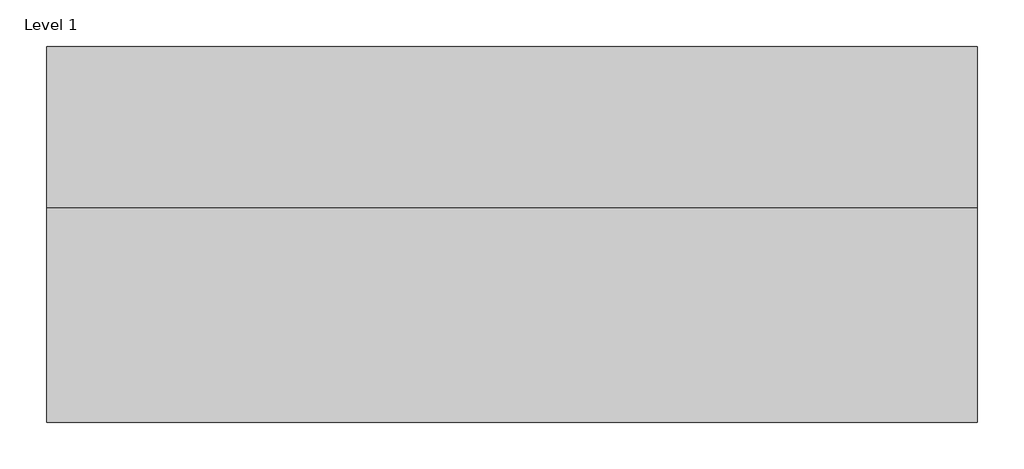
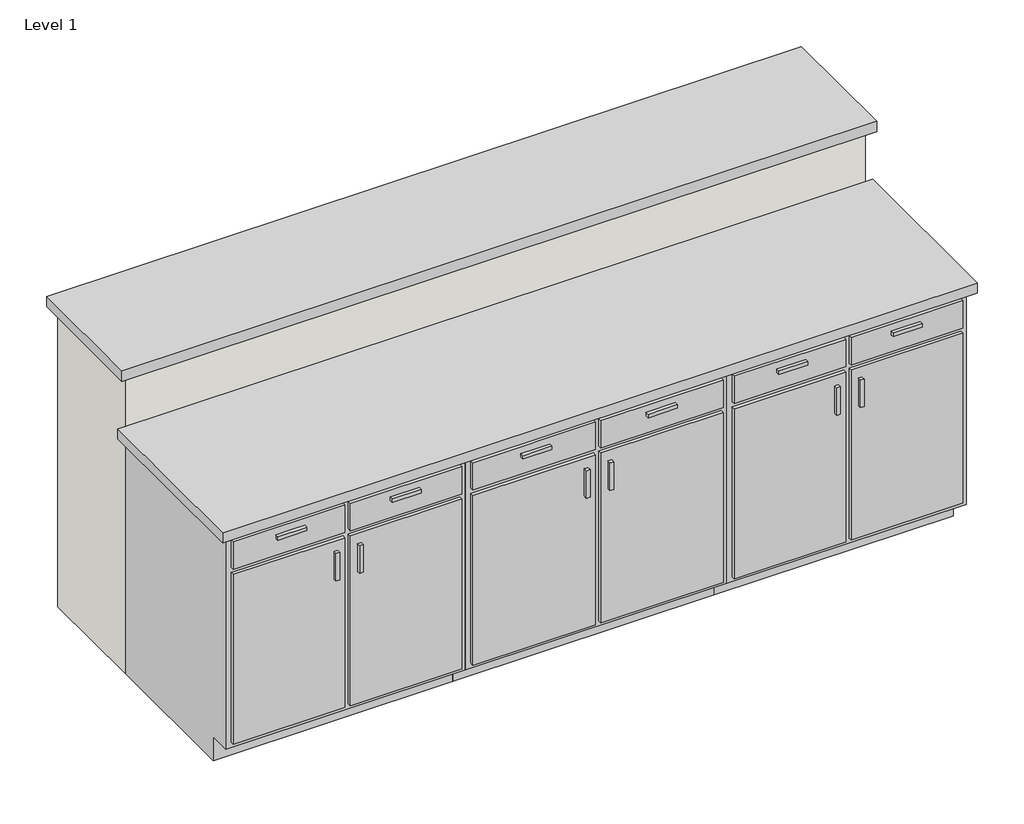
# One storey: 5 furniture elements, 3 walls.
"""IFC4 building model written with IfcOpenShell, lengths in millimetres."""

import ifcopenshell
import ifcopenshell.guid

model = None  # the IFC model being written
_history = None  # IfcOwnerHistory: only IFC2X3 demands one
_inside = {}  # id of a spatial element -> (the spatial element, [elements in it])
_under = {}  # id of a project, library or spatial element -> (it, [spatial elements below it])
_declared = {}  # id of a project -> (the project, [libraries it declares])
_typed = {}  # id of a type object -> (the type object, [elements of that type])
_made_of = {}  # id of a material, layer set ... -> (it, [elements and type objects made of it])


def new_model(schema):
    """Start an empty IFC model of exactly this schema.

    Asked for "IFC4X3", IfcOpenShell would pick the latest addendum, in which some entities
    have other attributes; the version numbers below select the first issue.
    IFC2X3 requires an IfcOwnerHistory on every rooted entity: one is made here for all.
    """
    global model, _history
    if schema == "IFC4X3":
        model = ifcopenshell.file(schema_version=(4, 3, 0, 0))
    else:
        model = ifcopenshell.file(schema=schema)
    _inside.clear()
    _under.clear()
    _declared.clear()
    _typed.clear()
    _made_of.clear()
    _history = None
    if model.schema == "IFC2X3":
        org = make("IfcOrganization", Name="unknown")
        user = make(
            "IfcPersonAndOrganization",
            ThePerson=make("IfcPerson", FamilyName="unknown"),
            TheOrganization=org,
        )
        app = make(
            "IfcApplication",
            ApplicationDeveloper=org,
            Version="unknown",
            ApplicationFullName="unknown",
            ApplicationIdentifier="unknown",
        )
        _history = make(
            "IfcOwnerHistory",
            OwningUser=user,
            OwningApplication=app,
            ChangeAction="ADDED",
            CreationDate=0,
        )
    return model


def make(cls, **values):
    """One entity of the class cls with the attributes given. An attribute that is None is left unset."""
    return model.create_entity(
        cls, **{name: value for name, value in values.items() if value is not None}
    )


def rooted(cls, **values):
    """An entity with a GlobalId (a new one), such as an element, a storey or a relation."""
    return make(cls, GlobalId=ifcopenshell.guid.new(), OwnerHistory=_history, **values)


def si_unit(unit_type, name, prefix=None):
    """IfcSIUnit, for example si_unit("LENGTHUNIT", "METRE", prefix="MILLI")."""
    return make("IfcSIUnit", UnitType=unit_type, Prefix=prefix, Name=name)


def assignment(units):
    """IfcUnitAssignment: the units of a project."""
    return None if units is None else make("IfcUnitAssignment", Units=units)


def point(xyz):
    """IfcCartesianPoint."""
    return None if xyz is None else make("IfcCartesianPoint", Coordinates=xyz)


def direction(xyz):
    """IfcDirection."""
    return None if xyz is None else make("IfcDirection", DirectionRatios=xyz)


def frame(location, z_axis=None, x_axis=None):
    """IfcAxis2Placement3D, a coordinate frame: its origin and axes. An axis left out is left unset."""
    return make(
        "IfcAxis2Placement3D",
        Location=point(location),
        Axis=direction(z_axis),
        RefDirection=direction(x_axis),
    )


def origin():
    """The frame at (0, 0, 0) with its axes left unset."""
    return frame((0.0, 0.0, 0.0))


def origin_with_axes():
    """The frame at (0, 0, 0) with the z axis (0, 0, 1) and the x axis (1, 0, 0) written out."""
    return frame((0.0, 0.0, 0.0), z_axis=(0.0, 0.0, 1.0), x_axis=(1.0, 0.0, 0.0))


def place(relative_to, where):
    """IfcLocalPlacement: puts the frame where relative to a parent placement (None: the world)."""
    return make(
        "IfcLocalPlacement", PlacementRelTo=relative_to, RelativePlacement=where
    )


def context(
    kind, dimensions, precision=None, world=None, true_north=None, identifier=None
):
    """IfcGeometricRepresentationContext, for example the 3D "Model" context."""
    return make(
        "IfcGeometricRepresentationContext",
        ContextIdentifier=identifier,
        ContextType=kind,
        CoordinateSpaceDimension=dimensions,
        Precision=precision,
        WorldCoordinateSystem=world,
        TrueNorth=true_north,
    )


def project(units=None, contexts=None):
    """IfcProject with its units and contexts."""
    return rooted(
        "IfcProject",
        Name="project",
        RepresentationContexts=contexts,
        UnitsInContext=assignment(units),
    )


def spatial(cls, under=None, at=None, **own):
    """A site, building, storey or space (cls), placed at a placement, below another one or the project."""
    s = rooted(cls, ObjectPlacement=at, **own)
    if under is not None:
        _under.setdefault(under.id(), (under, []))[1].append(s)
    return s


def polyline(points):
    """IfcPolyline through the points."""
    return make("IfcPolyline", Points=[point(p) for p in points])


def outline(outer, holes=None, kind="AREA"):
    """IfcArbitraryClosedProfileDef: a profile drawn as a closed curve; with holes, ...WithVoids."""
    if holes is None:
        return make("IfcArbitraryClosedProfileDef", ProfileType=kind, OuterCurve=outer)
    return make(
        "IfcArbitraryProfileDefWithVoids",
        ProfileType=kind,
        OuterCurve=outer,
        InnerCurves=holes,
    )


def extrude(swept, where, along, depth):
    """IfcExtrudedAreaSolid: the profile swept, set in the frame where, extruded along a direction by depth."""
    return make(
        "IfcExtrudedAreaSolid",
        SweptArea=swept,
        Position=where,
        ExtrudedDirection=direction(along),
        Depth=depth,
    )


def faces_of(points, faces, orient=None, outer=None):
    """IfcFace entities. A face is a list of loops; a loop is a list of indices into points, from 0.

    orient and outer hold one flag for each loop. By default every Orientation is true, the
    first loop of a face is its IfcFaceOuterBound and the others are IfcFaceBound.
    """
    made = []
    for i, loops in enumerate(faces):
        bounds = []
        for j, loop in enumerate(loops):
            is_outer = j == 0 if outer is None else outer[i][j]
            bounds.append(
                make(
                    "IfcFaceOuterBound" if is_outer else "IfcFaceBound",
                    Bound=make("IfcPolyLoop", Polygon=[points[k] for k in loop]),
                    Orientation=True if orient is None else orient[i][j],
                )
            )
        made.append(make("IfcFace", Bounds=bounds))
    return made


def faceted_brep(points, faces, orient=None, outer=None, voids=None):
    """IfcFacetedBrep: a solid bounded by flat faces; with voids (closed shells), ...WithVoids."""
    shared = [point(p) for p in points]
    hull = make("IfcClosedShell", CfsFaces=faces_of(shared, faces, orient, outer))
    if voids is None:
        return make("IfcFacetedBrep", Outer=hull)
    return make(
        "IfcFacetedBrepWithVoids",
        Outer=hull,
        Voids=[
            make(cls, CfsFaces=faces_of(shared, fs, o, b)) for cls, fs, o, b in voids
        ],
    )


def shape(context_of_items, identifier, shape_type, items):
    """IfcShapeRepresentation: the items that make up one representation, for example the "Body"."""
    return make(
        "IfcShapeRepresentation",
        ContextOfItems=context_of_items,
        RepresentationIdentifier=identifier,
        RepresentationType=shape_type,
        Items=items,
    )


def source(mapping_origin, context_of_items, identifier, shape_type, items):
    """IfcRepresentationMap: a shape defined once, which mapped items show again and again."""
    return make(
        "IfcRepresentationMap",
        MappingOrigin=mapping_origin,
        MappedRepresentation=shape(context_of_items, identifier, shape_type, items),
    )


def transform(
    local_origin,
    x_axis=None,
    y_axis=None,
    z_axis=None,
    scale=None,
    scale2=None,
    scale3=None,
    uniform=True,
):
    """IfcCartesianTransformationOperator3D, or its non-uniform kind. x_axis, y_axis, z_axis: its Axis1, 2, 3."""
    if uniform:
        return make(
            "IfcCartesianTransformationOperator3D",
            Axis1=direction(x_axis),
            Axis2=direction(y_axis),
            LocalOrigin=point(local_origin),
            Scale=scale,
            Axis3=direction(z_axis),
        )
    return make(
        "IfcCartesianTransformationOperator3DnonUniform",
        Axis1=direction(x_axis),
        Axis2=direction(y_axis),
        LocalOrigin=point(local_origin),
        Scale=scale,
        Axis3=direction(z_axis),
        Scale2=scale2,
        Scale3=scale3,
    )


def mapped(mapping_source, mapping_target):
    """IfcMappedItem: shows the shape of a source again, moved by a transform."""
    return make(
        "IfcMappedItem", MappingSource=mapping_source, MappingTarget=mapping_target
    )


def made_of(thing, what):
    """Note that an element or type object is made of a material, layer set ...; save() writes the relation."""
    if what is not None:
        _made_of.setdefault(what.id(), (what, []))[1].append(thing)
    return thing


def element(
    cls,
    number,
    at=None,
    inside=None,
    cuts=None,
    type_object=None,
    material=None,
    context=None,
    identifier="Body",
    shape_type=None,
    held_by="IfcProductDefinitionShape",
    body=None,
    shapes=None,
    **own,
):
    """One element of the class cls, such as IfcWall. Its Tag is "e" and its number.

    at: its placement. inside: the storey or other place that contains it. cuts: it is an
    opening in that element (IfcRelVoidsElement). A single representation is given by context,
    identifier, shape_type and body (its items); several are given by shapes. held_by: the class
    of the entity that holds the representations. save() writes the other relations.
    """
    e = rooted(cls, Tag="e%d" % number, ObjectPlacement=at, **own)
    if body is not None:
        shapes = [shape(context, identifier, shape_type, body)]
    if shapes is not None:
        e.Representation = make(held_by, Representations=shapes)
    if inside is not None:
        _inside.setdefault(inside.id(), (inside, []))[1].append(e)
    if cuts is not None:
        rooted(
            "IfcRelVoidsElement", RelatingBuildingElement=cuts, RelatedOpeningElement=e
        )
    if type_object is not None:
        _typed.setdefault(type_object.id(), (type_object, []))[1].append(e)
    return made_of(e, material)


def aggregate(whole, parts):
    """IfcRelAggregates: a whole, such as a stair, and the parts it consists of."""
    return rooted("IfcRelAggregates", RelatingObject=whole, RelatedObjects=parts)


def save(model, path):
    """Write the relations noted so far, then the file.

    IfcRelAggregates (storeys below a building ...), IfcRelContainedInSpatialStructure (elements
    in a storey), IfcRelDefinesByType, IfcRelAssociatesMaterial and IfcRelDeclares: one each for
    every whole, place, type object, material and project.
    """
    for whole, parts in _under.values():
        aggregate(whole, parts)
    for where, things in _inside.values():
        rooted(
            "IfcRelContainedInSpatialStructure",
            RelatedElements=things,
            RelatingStructure=where,
        )
    for kind, things in _typed.values():
        rooted("IfcRelDefinesByType", RelatedObjects=things, RelatingType=kind)
    for what, things in _made_of.values():
        rooted("IfcRelAssociatesMaterial", RelatedObjects=things, RelatingMaterial=what)
    for by, libraries in _declared.values():
        rooted("IfcRelDeclares", RelatingContext=by, RelatedDefinitions=libraries)
    model.write(path)


def furniture_7de88fd5(model_context):
    return source(origin(), model_context, "Body", "SolidModel", [
        faceted_brep([(418.7877049, -590.55, 876.3), (418.7877049, -590.55, 88.9), (-381.3122951, -590.55, 88.9), (-381.3122951, -590.55, 876.3), (-400.3622951, -609.6, 876.3), (437.8377049, -609.6, 876.3), (-400.3622951, -609.6, 88.9), (437.8377049, -609.6, 88.9), (-381.3122951, -533.4, 88.9), (-381.3122951, -19.05, 88.9), (-381.3122951, -19.05, 876.3), (-400.3622951, 0.0, 876.3), (-400.3622951, 0.0, 0.0), (-400.3622951, -533.4, 0.0), (-400.3622951, -533.4, 88.9), (418.7877049, -19.05, 88.9), (418.7877049, -19.05, 876.3), (437.8377049, 0.0, 876.3), (437.8377049, 0.0, 0.0), (418.7877049, -533.4, 88.9), (437.8377049, -533.4, 88.9), (437.8377049, -533.4, 0.0)], [[[0, 1, 2, 3]], [[0, 3, 4, 5]], [[5, 4, 6, 7]], [[2, 1, 7, 6]], [[3, 2, 8, 9, 10]], [[4, 3, 10, 11]], [[6, 4, 11, 12, 13, 14]], [[2, 6, 14, 8]], [[10, 9, 15, 16]], [[11, 10, 16, 17]], [[12, 11, 17, 18]], [[1, 0, 16, 15, 19]], [[0, 5, 17, 16]], [[5, 7, 20, 21, 18, 17]], [[7, 1, 19, 20]], [[8, 19, 15, 9]], [[18, 21, 13, 12]], [[13, 21, 20, 19, 8, 14]]]),
        extrude(outline(polyline([(-130.4872951, -635.0), (-232.0872951, -635.0), (-232.0872951, -622.3), (-130.4872951, -622.3), (-130.4872951, -635.0)])), frame((0.0, 0.0, 819.15), z_axis=(0.0, 0.0, 1.0), x_axis=(1.0, 0.0, 0.0)), (0.0, 0.0, 1.0), 12.7),
        extrude(outline(polyline([(269.5627049, -635.0), (167.9627049, -635.0), (167.9627049, -622.3), (269.5627049, -622.3), (269.5627049, -635.0)])), frame((0.0, 0.0, 819.15), z_axis=(0.0, 0.0, 1.0), x_axis=(1.0, 0.0, 0.0)), (0.0, 0.0, 1.0), 12.7),
        extrude(outline(polyline([(-16.1872951, -635.0), (-28.8872951, -635.0), (-28.8872951, -622.3), (-16.1872951, -622.3), (-16.1872951, -635.0)])), frame((0.0, 0.0, 596.9), z_axis=(0.0, 0.0, 1.0), x_axis=(1.0, 0.0, 0.0)), (0.0, 0.0, 1.0), 101.6),
        extrude(outline(polyline([(66.3627049, -635.0), (53.6627049, -635.0), (53.6627049, -622.3), (66.3627049, -622.3), (66.3627049, -635.0)])), frame((0.0, 0.0, 596.9), z_axis=(0.0, 0.0, 1.0), x_axis=(1.0, 0.0, 0.0)), (0.0, 0.0, 1.0), 101.6),
        extrude(outline(polyline([(418.7877049, -19.05), (418.7877049, -590.55), (-381.3122951, -590.55), (-381.3122951, -19.05), (418.7877049, -19.05)])), frame((0.0, 0.0, 88.9), z_axis=(0.0, 0.0, 1.0), x_axis=(1.0, 0.0, 0.0)), (0.0, 0.0, 1.0), 19.05),
        extrude(outline(polyline([(9.2127049, -622.3), (-381.3122951, -622.3), (-381.3122951, -609.6), (9.2127049, -609.6), (9.2127049, -622.3)])), frame((0.0, 0.0, 755.65), z_axis=(0.0, 0.0, 1.0), x_axis=(1.0, 0.0, 0.0)), (0.0, 0.0, 1.0), 101.6),
        extrude(outline(polyline([(418.7877049, -622.3), (28.2627049, -622.3), (28.2627049, -609.6), (418.7877049, -609.6), (418.7877049, -622.3)])), frame((0.0, 0.0, 755.65), z_axis=(0.0, 0.0, 1.0), x_axis=(1.0, 0.0, 0.0)), (0.0, 0.0, 1.0), 101.6),
        extrude(outline(polyline([(9.2127049, -622.3), (-381.3122951, -622.3), (-381.3122951, -609.6), (9.2127049, -609.6), (9.2127049, -622.3)])), frame((0.0, 0.0, 107.95), z_axis=(0.0, 0.0, 1.0), x_axis=(1.0, 0.0, 0.0)), (0.0, 0.0, 1.0), 628.65),
        extrude(outline(polyline([(418.7877049, -622.3), (28.2627049, -622.3), (28.2627049, -609.6), (418.7877049, -609.6), (418.7877049, -622.3)])), frame((0.0, 0.0, 107.95), z_axis=(0.0, 0.0, 1.0), x_axis=(1.0, 0.0, 0.0)), (0.0, 0.0, 1.0), 628.65),
    ])


def furniture_b74d3f52(model_context):
    return source(origin(), model_context, "Body", "SolidModel", [
        faceted_brep([(418.7877049, 590.55, 876.3), (-381.3122951, 590.55, 876.3), (-381.3122951, 590.55, 88.9), (418.7877049, 590.55, 88.9), (437.8377049, 609.6, 876.3), (-400.3622951, 609.6, 876.3), (437.8377049, 609.6, 88.9), (-400.3622951, 609.6, 88.9), (-381.3122951, 19.05, 876.3), (-381.3122951, 19.05, 88.9), (-381.3122951, 533.4, 88.9), (-400.3622951, 0.0, 876.3), (-400.3622951, 533.4, 88.9), (-400.3622951, 533.4, 0.0), (-400.3622951, 0.0, 0.0), (418.7877049, 19.05, 876.3), (418.7877049, 19.05, 88.9), (437.8377049, 0.0, 876.3), (437.8377049, 0.0, 0.0), (418.7877049, 533.4, 88.9), (437.8377049, 533.4, 0.0), (437.8377049, 533.4, 88.9)], [[[0, 1, 2, 3]], [[0, 4, 5, 1]], [[4, 6, 7, 5]], [[2, 7, 6, 3]], [[1, 8, 9, 10, 2]], [[5, 11, 8, 1]], [[7, 12, 13, 14, 11, 5]], [[2, 10, 12, 7]], [[8, 15, 16, 9]], [[11, 17, 15, 8]], [[14, 18, 17, 11]], [[3, 19, 16, 15, 0]], [[0, 15, 17, 4]], [[4, 17, 18, 20, 21, 6]], [[6, 21, 19, 3]], [[10, 9, 16, 19]], [[18, 14, 13, 20]], [[13, 12, 10, 19, 21, 20]]]),
        extrude(outline(polyline([(-130.4872951, 635.0), (-130.4872951, 622.3), (-232.0872951, 622.3), (-232.0872951, 635.0), (-130.4872951, 635.0)])), frame((0.0, 0.0, 819.15), z_axis=(0.0, 0.0, 1.0), x_axis=(1.0, 0.0, 0.0)), (0.0, 0.0, 1.0), 12.7),
        extrude(outline(polyline([(269.5627049, 635.0), (269.5627049, 622.3), (167.9627049, 622.3), (167.9627049, 635.0), (269.5627049, 635.0)])), frame((0.0, 0.0, 819.15), z_axis=(0.0, 0.0, 1.0), x_axis=(1.0, 0.0, 0.0)), (0.0, 0.0, 1.0), 12.7),
        extrude(outline(polyline([(-16.1872951, 635.0), (-16.1872951, 622.3), (-28.8872951, 622.3), (-28.8872951, 635.0), (-16.1872951, 635.0)])), frame((0.0, 0.0, 596.9), z_axis=(0.0, 0.0, 1.0), x_axis=(1.0, 0.0, 0.0)), (0.0, 0.0, 1.0), 101.6),
        extrude(outline(polyline([(66.3627049, 635.0), (66.3627049, 622.3), (53.6627049, 622.3), (53.6627049, 635.0), (66.3627049, 635.0)])), frame((0.0, 0.0, 596.9), z_axis=(0.0, 0.0, 1.0), x_axis=(1.0, 0.0, 0.0)), (0.0, 0.0, 1.0), 101.6),
        extrude(outline(polyline([(418.7877049, 19.05), (-381.3122951, 19.05), (-381.3122951, 590.55), (418.7877049, 590.55), (418.7877049, 19.05)])), frame((0.0, 0.0, 88.9), z_axis=(0.0, 0.0, 1.0), x_axis=(1.0, 0.0, 0.0)), (0.0, 0.0, 1.0), 19.05),
        extrude(outline(polyline([(9.2127049, 622.3), (9.2127049, 609.6), (-381.3122951, 609.6), (-381.3122951, 622.3), (9.2127049, 622.3)])), frame((0.0, 0.0, 755.65), z_axis=(0.0, 0.0, 1.0), x_axis=(1.0, 0.0, 0.0)), (0.0, 0.0, 1.0), 101.6),
        extrude(outline(polyline([(418.7877049, 622.3), (418.7877049, 609.6), (28.2627049, 609.6), (28.2627049, 622.3), (418.7877049, 622.3)])), frame((0.0, 0.0, 755.65), z_axis=(0.0, 0.0, 1.0), x_axis=(1.0, 0.0, 0.0)), (0.0, 0.0, 1.0), 101.6),
        extrude(outline(polyline([(9.2127049, 622.3), (9.2127049, 609.6), (-381.3122951, 609.6), (-381.3122951, 622.3), (9.2127049, 622.3)])), frame((0.0, 0.0, 107.95), z_axis=(0.0, 0.0, 1.0), x_axis=(1.0, 0.0, 0.0)), (0.0, 0.0, 1.0), 628.65),
        extrude(outline(polyline([(418.7877049, 622.3), (418.7877049, 609.6), (28.2627049, 609.6), (28.2627049, 622.3), (418.7877049, 622.3)])), frame((0.0, 0.0, 107.95), z_axis=(0.0, 0.0, 1.0), x_axis=(1.0, 0.0, 0.0)), (0.0, 0.0, 1.0), 628.65),
    ])


def furniture_b6fbc004(model_context):
    return source(origin(), model_context, "Body", "SolidModel", [
        faceted_brep([(456.8877049, -590.55, 876.3), (456.8877049, -590.55, 88.9), (-419.4122951, -590.55, 88.9), (-419.4122951, -590.55, 876.3), (-438.4622951, -609.6, 876.3), (475.9377049, -609.6, 876.3), (-438.4622951, -609.6, 88.9), (475.9377049, -609.6, 88.9), (-419.4122951, -533.4, 88.9), (-419.4122951, -19.05, 88.9), (-419.4122951, -19.05, 876.3), (-438.4622951, 0.0, 876.3), (-438.4622951, 0.0, 0.0), (-438.4622951, -533.4, 0.0), (-438.4622951, -533.4, 88.9), (456.8877049, -19.05, 88.9), (456.8877049, -19.05, 876.3), (475.9377049, 0.0, 876.3), (475.9377049, 0.0, 0.0), (456.8877049, -533.4, 88.9), (475.9377049, -533.4, 88.9), (475.9377049, -533.4, 0.0)], [[[0, 1, 2, 3]], [[0, 3, 4, 5]], [[5, 4, 6, 7]], [[2, 1, 7, 6]], [[3, 2, 8, 9, 10]], [[4, 3, 10, 11]], [[6, 4, 11, 12, 13, 14]], [[2, 6, 14, 8]], [[10, 9, 15, 16]], [[11, 10, 16, 17]], [[12, 11, 17, 18]], [[1, 0, 16, 15, 19]], [[0, 5, 17, 16]], [[5, 7, 20, 21, 18, 17]], [[7, 1, 19, 20]], [[8, 19, 15, 9]], [[18, 21, 13, 12]], [[13, 21, 20, 19, 8, 14]]]),
        extrude(outline(polyline([(-149.5372951, -635.0), (-251.1372951, -635.0), (-251.1372951, -622.3), (-149.5372951, -622.3), (-149.5372951, -635.0)])), frame((0.0, 0.0, 819.15), z_axis=(0.0, 0.0, 1.0), x_axis=(1.0, 0.0, 0.0)), (0.0, 0.0, 1.0), 12.7),
        extrude(outline(polyline([(288.6127049, -635.0), (187.0127049, -635.0), (187.0127049, -622.3), (288.6127049, -622.3), (288.6127049, -635.0)])), frame((0.0, 0.0, 819.15), z_axis=(0.0, 0.0, 1.0), x_axis=(1.0, 0.0, 0.0)), (0.0, 0.0, 1.0), 12.7),
        extrude(outline(polyline([(-16.1872951, -635.0), (-28.8872951, -635.0), (-28.8872951, -622.3), (-16.1872951, -622.3), (-16.1872951, -635.0)])), frame((0.0, 0.0, 596.9), z_axis=(0.0, 0.0, 1.0), x_axis=(1.0, 0.0, 0.0)), (0.0, 0.0, 1.0), 101.6),
        extrude(outline(polyline([(66.3627049, -635.0), (53.6627049, -635.0), (53.6627049, -622.3), (66.3627049, -622.3), (66.3627049, -635.0)])), frame((0.0, 0.0, 596.9), z_axis=(0.0, 0.0, 1.0), x_axis=(1.0, 0.0, 0.0)), (0.0, 0.0, 1.0), 101.6),
        extrude(outline(polyline([(456.8877049, -19.05), (456.8877049, -590.55), (-419.4122951, -590.55), (-419.4122951, -19.05), (456.8877049, -19.05)])), frame((0.0, 0.0, 88.9), z_axis=(0.0, 0.0, 1.0), x_axis=(1.0, 0.0, 0.0)), (0.0, 0.0, 1.0), 19.05),
        extrude(outline(polyline([(9.2127049, -622.3), (-419.4122951, -622.3), (-419.4122951, -609.6), (9.2127049, -609.6), (9.2127049, -622.3)])), frame((0.0, 0.0, 755.65), z_axis=(0.0, 0.0, 1.0), x_axis=(1.0, 0.0, 0.0)), (0.0, 0.0, 1.0), 101.6),
        extrude(outline(polyline([(456.8877049, -622.3), (28.2627049, -622.3), (28.2627049, -609.6), (456.8877049, -609.6), (456.8877049, -622.3)])), frame((0.0, 0.0, 755.65), z_axis=(0.0, 0.0, 1.0), x_axis=(1.0, 0.0, 0.0)), (0.0, 0.0, 1.0), 101.6),
        extrude(outline(polyline([(9.2127049, -622.3), (-419.4122951, -622.3), (-419.4122951, -609.6), (9.2127049, -609.6), (9.2127049, -622.3)])), frame((0.0, 0.0, 107.95), z_axis=(0.0, 0.0, 1.0), x_axis=(1.0, 0.0, 0.0)), (0.0, 0.0, 1.0), 628.65),
        extrude(outline(polyline([(456.8877049, -622.3), (28.2627049, -622.3), (28.2627049, -609.6), (456.8877049, -609.6), (456.8877049, -622.3)])), frame((0.0, 0.0, 107.95), z_axis=(0.0, 0.0, 1.0), x_axis=(1.0, 0.0, 0.0)), (0.0, 0.0, 1.0), 628.65),
    ])


def counter_top_island_05431d29(model_context):
    return source(origin(), model_context, "Body", "SweptSolid", [
        extrude(outline(polyline([(1441.1377049, 25.4), (1441.1377049, -431.8), (-1200.4622951, -431.8), (-1200.4622951, 25.4), (1441.1377049, 25.4)])), frame((0.0, 0.0, 1104.9), z_axis=(0.0, 0.0, 1.0), x_axis=(1.0, 0.0, 0.0)), (0.0, 0.0, 1.0), 38.1),
    ])


def counter_top_island_island_countertop_50bebda1(model_context):
    return source(origin(), model_context, "Body", "SweptSolid", [
        extrude(outline(polyline([(1441.1377049, 25.4), (1441.1377049, -609.6), (-1200.4622951, -609.6), (-1200.4622951, 25.4), (1441.1377049, 25.4)])), frame((0.0, 0.0, 876.3), z_axis=(0.0, 0.0, 1.0), x_axis=(1.0, 0.0, 0.0)), (0.0, 0.0, 1.0), 38.1),
    ])


model = new_model("IFC4")

# Units and contexts
model_context = context("Model", 3, world=origin())
ifc_project = project(units=[si_unit("LENGTHUNIT", "METRE", prefix="MILLI")], contexts=[model_context])

# Site, building, storey
site = spatial("IfcSite", under=ifc_project)
building = spatial("IfcBuilding", under=site)
storey = spatial("IfcBuildingStorey", under=building, Name="Level 1", Elevation=0.0)

# Furniture
placement = place(None, origin())
furniture_shape = furniture_7de88fd5(model_context)
element("IfcFurniture", 1, ObjectType="33\"", at=placement, inside=storey, context=model_context, shape_type="MappedRepresentation", body=[
    mapped(furniture_shape, transform((-6937.572959, 1623.5859829, 0.0), x_axis=(1.0, 0.0, 0.0), y_axis=(0.0, 1.0, 0.0), z_axis=(0.0, 0.0, 1.0))),
])
furniture_2_shape = furniture_b74d3f52(model_context)
element("IfcFurniture", 2, ObjectType="33\"", at=placement, inside=storey, context=model_context, shape_type="MappedRepresentation", body=[
    mapped(furniture_2_shape, transform((-5147.4975492, 1623.5859829, 0.0), x_axis=(-1.0, 0.0, 0.0), y_axis=(0.0, -1.0, 0.0), z_axis=(0.0, 0.0, 1.0))),
])
furniture_3_shape = furniture_b6fbc004(model_context)
element("IfcFurniture", 3, ObjectType="36\"", at=placement, inside=storey, context=model_context, shape_type="MappedRepresentation", body=[
    mapped(furniture_3_shape, transform((-6061.272959, 1623.5859829, 0.0), x_axis=(1.0, 0.0, 0.0), y_axis=(0.0, 1.0, 0.0), z_axis=(0.0, 0.0, 1.0))),
])
counter_top_island_shape = counter_top_island_05431d29(model_context)
element("IfcFurniture", 4, ObjectType="Counter Top-Island", at=placement, inside=storey, context=model_context, shape_type="MappedRepresentation", body=[
    mapped(counter_top_island_shape, transform((-6162.872959, 2029.9859829, 0.0), x_axis=(1.0, 0.0, 0.0), y_axis=(0.0, 1.0, 0.0), z_axis=(0.0, 0.0, 1.0))),
])
counter_top_island_island_countertop_shape = counter_top_island_island_countertop_50bebda1(model_context)
element("IfcFurniture", 5, ObjectType="Counter Top-Island : Island Countertop", at=placement, inside=storey, context=model_context, shape_type="MappedRepresentation", body=[
    mapped(counter_top_island_island_countertop_shape, transform((-6162.872959, 1598.1859829, 0.0), x_axis=(1.0, 0.0, 0.0), y_axis=(0.0, 1.0, 0.0), z_axis=(0.0, 0.0, 1.0))),
])

# Walls
element("IfcWall", 6, ObjectType="AHD - Interior - 4 1/2\" Partition (1-hr)", at=placement, inside=storey, context=model_context, shape_type="SweptSolid", body=[
    extrude(outline(polyline([(-4747.1352541, 1623.5859829), (-7337.9352541, 1623.5859829), (-7185.5352541, 1737.8859829), (-4899.5352541, 1737.8859829), (-4747.1352541, 1623.5859829)])), origin_with_axes(), (0.0, 0.0, 1.0), 1104.9),
])
element("IfcWall", 7, ObjectType="AHD - Interior - 6\" Partition/Plumbing (1-hr)", at=placement, inside=storey, context=model_context, shape_type="SweptSolid", body=[
    extrude(outline(polyline([(-4747.1352541, 2029.9859829), (-4747.1352541, 1623.5859829), (-4899.5352541, 1737.8859829), (-4899.5352541, 2029.9859829), (-4747.1352541, 2029.9859829)])), origin_with_axes(), (0.0, 0.0, 1.0), 1104.9),
])
element("IfcWall", 8, ObjectType="AHD - Interior - 6\" Partition/Plumbing (1-hr)", at=placement, inside=storey, context=model_context, shape_type="SweptSolid", body=[
    extrude(outline(polyline([(-7185.5352541, 2029.9859829), (-7185.5352541, 1737.8859829), (-7337.9352541, 1623.5859829), (-7337.9352541, 2029.9859829), (-7185.5352541, 2029.9859829)])), origin_with_axes(), (0.0, 0.0, 1.0), 1104.9),
])

save(model, "model.ifc")
